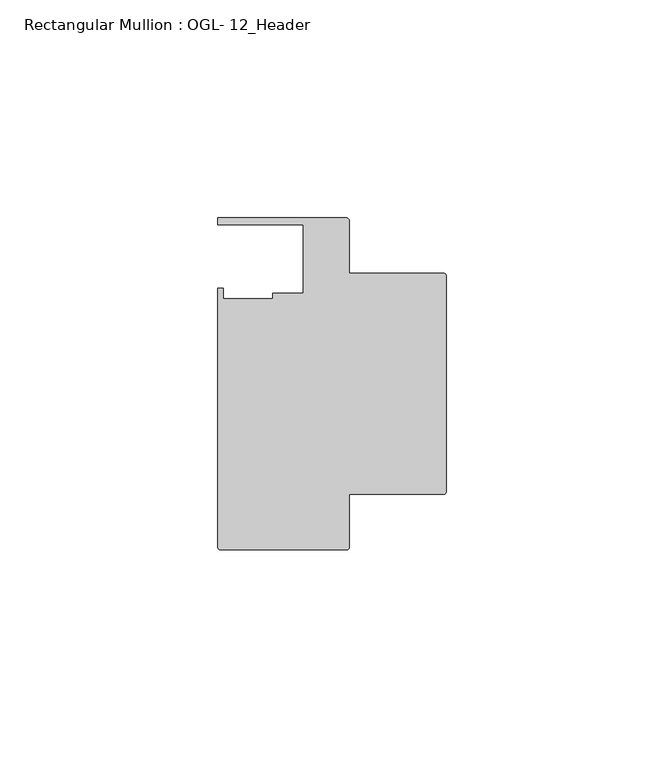
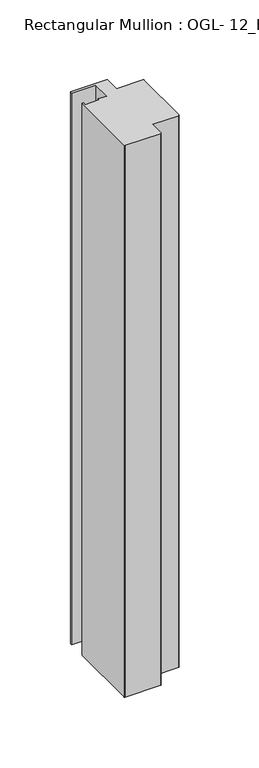
"""IFC4 building model written with IfcOpenShell, lengths in millimetres: member geometry, Rectangular Mullion : OGL- 12_Header."""

import ifcopenshell
import ifcopenshell.guid

model = None  # the IFC model being written
_history = None  # IfcOwnerHistory: only IFC2X3 demands one
_inside = {}  # id of a spatial element -> (the spatial element, [elements in it])
_under = {}  # id of a project, library or spatial element -> (it, [spatial elements below it])
_declared = {}  # id of a project -> (the project, [libraries it declares])
_typed = {}  # id of a type object -> (the type object, [elements of that type])
_made_of = {}  # id of a material, layer set ... -> (it, [elements and type objects made of it])


def new_model(schema):
    """Start an empty IFC model of exactly this schema.

    Asked for "IFC4X3", IfcOpenShell would pick the latest addendum, in which some entities
    have other attributes; the version numbers below select the first issue.
    IFC2X3 requires an IfcOwnerHistory on every rooted entity: one is made here for all.
    """
    global model, _history
    if schema == "IFC4X3":
        model = ifcopenshell.file(schema_version=(4, 3, 0, 0))
    else:
        model = ifcopenshell.file(schema=schema)
    _inside.clear()
    _under.clear()
    _declared.clear()
    _typed.clear()
    _made_of.clear()
    _history = None
    if model.schema == "IFC2X3":
        org = make("IfcOrganization", Name="unknown")
        user = make(
            "IfcPersonAndOrganization",
            ThePerson=make("IfcPerson", FamilyName="unknown"),
            TheOrganization=org,
        )
        app = make(
            "IfcApplication",
            ApplicationDeveloper=org,
            Version="unknown",
            ApplicationFullName="unknown",
            ApplicationIdentifier="unknown",
        )
        _history = make(
            "IfcOwnerHistory",
            OwningUser=user,
            OwningApplication=app,
            ChangeAction="ADDED",
            CreationDate=0,
        )
    return model


def make(cls, **values):
    """One entity of the class cls with the attributes given. An attribute that is None is left unset."""
    return model.create_entity(
        cls, **{name: value for name, value in values.items() if value is not None}
    )


def rooted(cls, **values):
    """An entity with a GlobalId (a new one), such as an element, a storey or a relation."""
    return make(cls, GlobalId=ifcopenshell.guid.new(), OwnerHistory=_history, **values)


def si_unit(unit_type, name, prefix=None):
    """IfcSIUnit, for example si_unit("LENGTHUNIT", "METRE", prefix="MILLI")."""
    return make("IfcSIUnit", UnitType=unit_type, Prefix=prefix, Name=name)


def assignment(units):
    """IfcUnitAssignment: the units of a project."""
    return None if units is None else make("IfcUnitAssignment", Units=units)


def point(xyz):
    """IfcCartesianPoint."""
    return None if xyz is None else make("IfcCartesianPoint", Coordinates=xyz)


def direction(xyz):
    """IfcDirection."""
    return None if xyz is None else make("IfcDirection", DirectionRatios=xyz)


def frame(location, z_axis=None, x_axis=None):
    """IfcAxis2Placement3D, a coordinate frame: its origin and axes. An axis left out is left unset."""
    return make(
        "IfcAxis2Placement3D",
        Location=point(location),
        Axis=direction(z_axis),
        RefDirection=direction(x_axis),
    )


def frame_2d(location, x_axis=None):
    """IfcAxis2Placement2D, a coordinate frame in the plane: its origin and x axis."""
    return make(
        "IfcAxis2Placement2D", Location=point(location), RefDirection=direction(x_axis)
    )


def origin():
    """The frame at (0, 0, 0) with its axes left unset."""
    return frame((0.0, 0.0, 0.0))


def place(relative_to, where):
    """IfcLocalPlacement: puts the frame where relative to a parent placement (None: the world)."""
    return make(
        "IfcLocalPlacement", PlacementRelTo=relative_to, RelativePlacement=where
    )


def context(
    kind, dimensions, precision=None, world=None, true_north=None, identifier=None
):
    """IfcGeometricRepresentationContext, for example the 3D "Model" context."""
    return make(
        "IfcGeometricRepresentationContext",
        ContextIdentifier=identifier,
        ContextType=kind,
        CoordinateSpaceDimension=dimensions,
        Precision=precision,
        WorldCoordinateSystem=world,
        TrueNorth=true_north,
    )


def project(units=None, contexts=None):
    """IfcProject with its units and contexts."""
    return rooted(
        "IfcProject",
        Name="project",
        RepresentationContexts=contexts,
        UnitsInContext=assignment(units),
    )


def spatial(cls, under=None, at=None, **own):
    """A site, building, storey or space (cls), placed at a placement, below another one or the project."""
    s = rooted(cls, ObjectPlacement=at, **own)
    if under is not None:
        _under.setdefault(under.id(), (under, []))[1].append(s)
    return s


def polyline(points):
    """IfcPolyline through the points."""
    return make("IfcPolyline", Points=[point(p) for p in points])


def circle_curve(where, radius):
    """IfcCircle in the frame where."""
    return make("IfcCircle", Position=where, Radius=radius)


def trimmed(basis, trim1, trim2, sense, master):
    """IfcTrimmedCurve: the piece of a basis curve between two trims."""
    return make(
        "IfcTrimmedCurve",
        BasisCurve=basis,
        Trim1=trim1,
        Trim2=trim2,
        SenseAgreement=sense,
        MasterRepresentation=master,
    )


def segment(curve, same_sense, transition):
    """IfcCompositeCurveSegment."""
    return make(
        "IfcCompositeCurveSegment",
        Transition=transition,
        SameSense=same_sense,
        ParentCurve=curve,
    )


def composite_curve(segments, self_intersect=None):
    """IfcCompositeCurve: segments joined end to end."""
    return make("IfcCompositeCurve", Segments=segments, SelfIntersect=self_intersect)


def outline(outer, holes=None, kind="AREA"):
    """IfcArbitraryClosedProfileDef: a profile drawn as a closed curve; with holes, ...WithVoids."""
    if holes is None:
        return make("IfcArbitraryClosedProfileDef", ProfileType=kind, OuterCurve=outer)
    return make(
        "IfcArbitraryProfileDefWithVoids",
        ProfileType=kind,
        OuterCurve=outer,
        InnerCurves=holes,
    )


def extrude(swept, where, along, depth):
    """IfcExtrudedAreaSolid: the profile swept, set in the frame where, extruded along a direction by depth."""
    return make(
        "IfcExtrudedAreaSolid",
        SweptArea=swept,
        Position=where,
        ExtrudedDirection=direction(along),
        Depth=depth,
    )


def shape(context_of_items, identifier, shape_type, items):
    """IfcShapeRepresentation: the items that make up one representation, for example the "Body"."""
    return make(
        "IfcShapeRepresentation",
        ContextOfItems=context_of_items,
        RepresentationIdentifier=identifier,
        RepresentationType=shape_type,
        Items=items,
    )


def source(mapping_origin, context_of_items, identifier, shape_type, items):
    """IfcRepresentationMap: a shape defined once, which mapped items show again and again."""
    return make(
        "IfcRepresentationMap",
        MappingOrigin=mapping_origin,
        MappedRepresentation=shape(context_of_items, identifier, shape_type, items),
    )


def transform(
    local_origin,
    x_axis=None,
    y_axis=None,
    z_axis=None,
    scale=None,
    scale2=None,
    scale3=None,
    uniform=True,
):
    """IfcCartesianTransformationOperator3D, or its non-uniform kind. x_axis, y_axis, z_axis: its Axis1, 2, 3."""
    if uniform:
        return make(
            "IfcCartesianTransformationOperator3D",
            Axis1=direction(x_axis),
            Axis2=direction(y_axis),
            LocalOrigin=point(local_origin),
            Scale=scale,
            Axis3=direction(z_axis),
        )
    return make(
        "IfcCartesianTransformationOperator3DnonUniform",
        Axis1=direction(x_axis),
        Axis2=direction(y_axis),
        LocalOrigin=point(local_origin),
        Scale=scale,
        Axis3=direction(z_axis),
        Scale2=scale2,
        Scale3=scale3,
    )


def mapped(mapping_source, mapping_target):
    """IfcMappedItem: shows the shape of a source again, moved by a transform."""
    return make(
        "IfcMappedItem", MappingSource=mapping_source, MappingTarget=mapping_target
    )


def made_of(thing, what):
    """Note that an element or type object is made of a material, layer set ...; save() writes the relation."""
    if what is not None:
        _made_of.setdefault(what.id(), (what, []))[1].append(thing)
    return thing


def element(
    cls,
    number,
    at=None,
    inside=None,
    cuts=None,
    type_object=None,
    material=None,
    context=None,
    identifier="Body",
    shape_type=None,
    held_by="IfcProductDefinitionShape",
    body=None,
    shapes=None,
    **own,
):
    """One element of the class cls, such as IfcWall. Its Tag is "e" and its number.

    at: its placement. inside: the storey or other place that contains it. cuts: it is an
    opening in that element (IfcRelVoidsElement). A single representation is given by context,
    identifier, shape_type and body (its items); several are given by shapes. held_by: the class
    of the entity that holds the representations. save() writes the other relations.
    """
    e = rooted(cls, Tag="e%d" % number, ObjectPlacement=at, **own)
    if body is not None:
        shapes = [shape(context, identifier, shape_type, body)]
    if shapes is not None:
        e.Representation = make(held_by, Representations=shapes)
    if inside is not None:
        _inside.setdefault(inside.id(), (inside, []))[1].append(e)
    if cuts is not None:
        rooted(
            "IfcRelVoidsElement", RelatingBuildingElement=cuts, RelatedOpeningElement=e
        )
    if type_object is not None:
        _typed.setdefault(type_object.id(), (type_object, []))[1].append(e)
    return made_of(e, material)


def aggregate(whole, parts):
    """IfcRelAggregates: a whole, such as a stair, and the parts it consists of."""
    return rooted("IfcRelAggregates", RelatingObject=whole, RelatedObjects=parts)


def save(model, path):
    """Write the relations noted so far, then the file.

    IfcRelAggregates (storeys below a building ...), IfcRelContainedInSpatialStructure (elements
    in a storey), IfcRelDefinesByType, IfcRelAssociatesMaterial and IfcRelDeclares: one each for
    every whole, place, type object, material and project.
    """
    for whole, parts in _under.values():
        aggregate(whole, parts)
    for where, things in _inside.values():
        rooted(
            "IfcRelContainedInSpatialStructure",
            RelatedElements=things,
            RelatingStructure=where,
        )
    for kind, things in _typed.values():
        rooted("IfcRelDefinesByType", RelatedObjects=things, RelatingType=kind)
    for what, things in _made_of.values():
        rooted("IfcRelAssociatesMaterial", RelatedObjects=things, RelatingMaterial=what)
    for by, libraries in _declared.values():
        rooted("IfcRelDeclares", RelatingContext=by, RelatedDefinitions=libraries)
    model.write(path)


def rectangular_mullion_ogl_12_header_cbc2348b(model_context):
    return source(origin(), model_context, "Body", "SweptSolid", [
        extrude(outline(composite_curve([segment(polyline([(-0.5953125, -25.4), (-22.2332898, -25.4), (-22.2332898, -37.5043667)]), True, "CONTINUOUS"), segment(trimmed(circle_curve(frame_2d((-22.8286023, -37.5043667)), 0.5953125), [point((-22.2332898, -37.5043667))], [point((-22.8286023, -38.0996792))], False, "CARTESIAN"), True, "CONTINUOUS"), segment(polyline([(-22.8286023, -38.0996792), (-51.7968699, -38.0996792)]), True, "CONTINUOUS"), segment(trimmed(circle_curve(frame_2d((-51.7968699, -37.5043667)), 0.5953125), [point((-51.7968699, -38.0996792))], [point((-52.3921824, -37.5043667))], False, "CARTESIAN"), True, "CONTINUOUS"), segment(polyline([(-52.3921824, -37.5043667), (-52.3921824, 21.9710976), (-51.1362531, 21.9710976), (-51.1362531, 19.4824275), (-39.7567771, 19.4824275), (-39.7567771, 20.8257348), (-32.730302, 20.8257348), (-32.730302, 36.512516), (-52.3830881, 36.512516), (-52.3830881, 38.100016), (-22.8763468, 38.100016)]), True, "CONTINUOUS"), segment(trimmed(circle_curve(frame_2d((-22.8763468, 37.456959)), 0.643057), [point((-22.8763468, 38.100016))], [point((-22.2332898, 37.456959))], False, "CARTESIAN"), True, "CONTINUOUS"), segment(polyline([(-22.2332898, 37.456959), (-22.2332898, 25.4), (-0.5953125, 25.4)]), True, "CONTINUOUS"), segment(trimmed(circle_curve(frame_2d((-0.5953125, 24.8046875)), 0.5953125), [point((-0.5953125, 25.4))], [point((0.0, 24.8046875))], False, "CARTESIAN"), True, "CONTINUOUS"), segment(polyline([(0.0, 24.8046875), (0.0, -24.8046875)]), True, "CONTINUOUS"), segment(trimmed(circle_curve(frame_2d((-0.5953125, -24.8046875)), 0.5953125), [point((0.0, -24.8046875))], [point((-0.5953125, -25.4))], False, "CARTESIAN"), True, "CONTINUOUS")], self_intersect=False)), frame((0.0, 0.0, -476.25), z_axis=(0.0, 0.0, 1.0), x_axis=(1.0, 0.0, 0.0)), (0.0, 0.0, 1.0), 476.25),
    ])


if __name__ == "__main__":
    model = new_model("IFC4")
    model_context = context("Model", 3, world=origin())
    ifc_project = project(units=[si_unit("LENGTHUNIT", "METRE", prefix="MILLI")], contexts=[model_context])
    site = spatial("IfcSite", under=ifc_project)
    building = spatial("IfcBuilding", under=site)
    placement = place(None, origin())
    rectangular_mullion_ogl_12_header_shape = rectangular_mullion_ogl_12_header_cbc2348b(model_context)
    element("IfcMember", 1, ObjectType="Rectangular Mullion : OGL- 12_Header", at=placement, inside=building, context=model_context, shape_type="MappedRepresentation", body=[
        mapped(rectangular_mullion_ogl_12_header_shape, transform((0.0, 0.0, 0.0), x_axis=(1.0, 0.0, 0.0), y_axis=(0.0, 1.0, 0.0), z_axis=(0.0, 0.0, 1.0))),
    ])
    save(model, "model.ifc")
